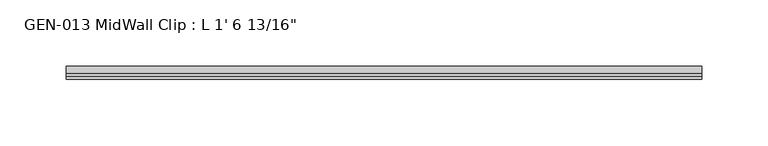
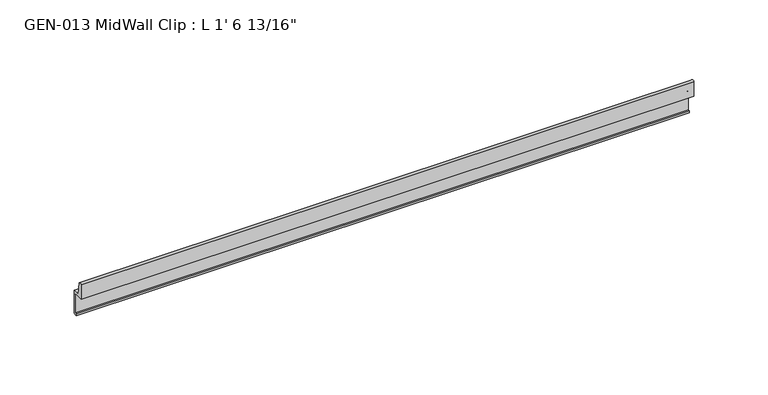
"""IFC4 building model written with IfcOpenShell, lengths in millimetres: proxy geometry."""

from ifc_helpers import new_model, si_unit, point, frame, frame_2d, origin, place, context, project, spatial, polyline, circle_curve, trimmed, segment, composite_curve, outline, extrude, source, transform, mapped, element, save


def proxy_29dd436b(model_context):
    return source(origin(), model_context, "Body", "SweptSolid", [
        extrude(outline(composite_curve([segment(trimmed(circle_curve(frame_2d((1.9177, 1.1238237)), 1.27), [point((3.1877, 1.1238237))], [point((1.9177, 2.3938237))], True, "CARTESIAN"), True, "CONTINUOUS"), segment(polyline([(1.9177, 2.3938237), (-4.7625, 2.3938237), (-4.7625, 14.4786268)]), True, "CONTINUOUS"), segment(trimmed(circle_curve(frame_2d((-3.5698235, 13.3878692)), 1.6162393), [point((-4.7625, 14.4786268))], [point((-2.4411308, 14.5447106))], False, "CARTESIAN"), True, "CONTINUOUS"), segment(polyline([(-2.4411308, 14.5447106), (-0.630157, 3.9686237), (4.7625, 3.9686237), (4.7625, -15.0559763), (1.6129, -15.0559763), (1.6129, -13.4811763), (3.1877, -13.4811763), (3.1877, 1.1238237)]), True, "CONTINUOUS")], self_intersect=False)), frame((0.0, 0.0, 0.0), z_axis=(1.0, 0.0, 0.0), x_axis=(0.0, 1.0, 0.0)), (0.0, 0.0, 1.0), 477.8375),
    ])


if __name__ == "__main__":
    model = new_model("IFC4")
    model_context = context("Model", 3, world=origin())
    ifc_project = project(units=[si_unit("LENGTHUNIT", "METRE", prefix="MILLI")], contexts=[model_context])
    site = spatial("IfcSite", under=ifc_project)
    building = spatial("IfcBuilding", under=site)
    placement = place(None, origin())
    proxy_shape = proxy_29dd436b(model_context)
    element("IfcBuildingElementProxy", 1, Name="GEN-013 MidWall Clip : L 1' 6 13/16\"", ObjectType="GEN-013 MidWall Clip : L 1' 6 13/16\"", at=placement, inside=building, context=model_context, shape_type="MappedRepresentation", body=[
        mapped(proxy_shape, transform((0.0, 0.0, 0.0), x_axis=(1.0, 0.0, 0.0), y_axis=(0.0, 1.0, 0.0), z_axis=(0.0, 0.0, 1.0))),
    ])
    save(model, "model.ifc")
